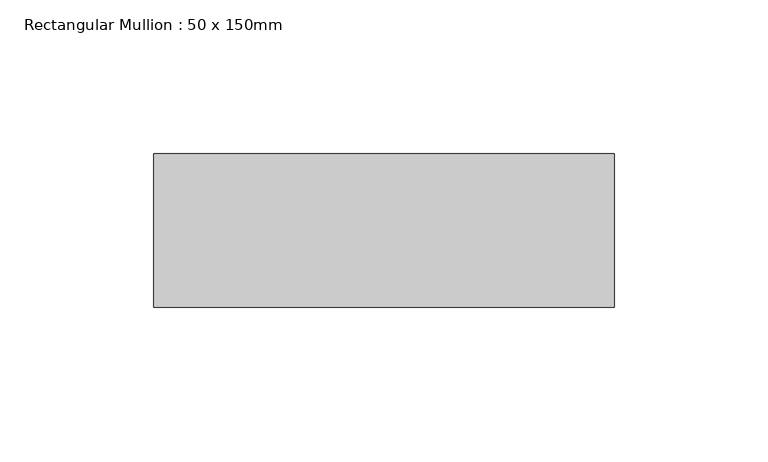
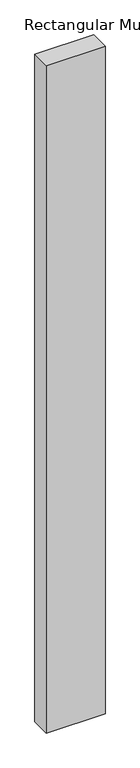
"""IFC4 building model written with IfcOpenShell, lengths in millimetres: member geometry, Rectangular Mullion : 50 x 150mm."""

import ifcopenshell
import ifcopenshell.guid

model = None  # the IFC model being written
_history = None  # IfcOwnerHistory: only IFC2X3 demands one
_inside = {}  # id of a spatial element -> (the spatial element, [elements in it])
_under = {}  # id of a project, library or spatial element -> (it, [spatial elements below it])
_declared = {}  # id of a project -> (the project, [libraries it declares])
_typed = {}  # id of a type object -> (the type object, [elements of that type])
_made_of = {}  # id of a material, layer set ... -> (it, [elements and type objects made of it])


def new_model(schema):
    """Start an empty IFC model of exactly this schema.

    Asked for "IFC4X3", IfcOpenShell would pick the latest addendum, in which some entities
    have other attributes; the version numbers below select the first issue.
    IFC2X3 requires an IfcOwnerHistory on every rooted entity: one is made here for all.
    """
    global model, _history
    if schema == "IFC4X3":
        model = ifcopenshell.file(schema_version=(4, 3, 0, 0))
    else:
        model = ifcopenshell.file(schema=schema)
    _inside.clear()
    _under.clear()
    _declared.clear()
    _typed.clear()
    _made_of.clear()
    _history = None
    if model.schema == "IFC2X3":
        org = make("IfcOrganization", Name="unknown")
        user = make(
            "IfcPersonAndOrganization",
            ThePerson=make("IfcPerson", FamilyName="unknown"),
            TheOrganization=org,
        )
        app = make(
            "IfcApplication",
            ApplicationDeveloper=org,
            Version="unknown",
            ApplicationFullName="unknown",
            ApplicationIdentifier="unknown",
        )
        _history = make(
            "IfcOwnerHistory",
            OwningUser=user,
            OwningApplication=app,
            ChangeAction="ADDED",
            CreationDate=0,
        )
    return model


def make(cls, **values):
    """One entity of the class cls with the attributes given. An attribute that is None is left unset."""
    return model.create_entity(
        cls, **{name: value for name, value in values.items() if value is not None}
    )


def rooted(cls, **values):
    """An entity with a GlobalId (a new one), such as an element, a storey or a relation."""
    return make(cls, GlobalId=ifcopenshell.guid.new(), OwnerHistory=_history, **values)


def si_unit(unit_type, name, prefix=None):
    """IfcSIUnit, for example si_unit("LENGTHUNIT", "METRE", prefix="MILLI")."""
    return make("IfcSIUnit", UnitType=unit_type, Prefix=prefix, Name=name)


def assignment(units):
    """IfcUnitAssignment: the units of a project."""
    return None if units is None else make("IfcUnitAssignment", Units=units)


def point(xyz):
    """IfcCartesianPoint."""
    return None if xyz is None else make("IfcCartesianPoint", Coordinates=xyz)


def direction(xyz):
    """IfcDirection."""
    return None if xyz is None else make("IfcDirection", DirectionRatios=xyz)


def frame(location, z_axis=None, x_axis=None):
    """IfcAxis2Placement3D, a coordinate frame: its origin and axes. An axis left out is left unset."""
    return make(
        "IfcAxis2Placement3D",
        Location=point(location),
        Axis=direction(z_axis),
        RefDirection=direction(x_axis),
    )


def origin():
    """The frame at (0, 0, 0) with its axes left unset."""
    return frame((0.0, 0.0, 0.0))


def place(relative_to, where):
    """IfcLocalPlacement: puts the frame where relative to a parent placement (None: the world)."""
    return make(
        "IfcLocalPlacement", PlacementRelTo=relative_to, RelativePlacement=where
    )


def context(
    kind, dimensions, precision=None, world=None, true_north=None, identifier=None
):
    """IfcGeometricRepresentationContext, for example the 3D "Model" context."""
    return make(
        "IfcGeometricRepresentationContext",
        ContextIdentifier=identifier,
        ContextType=kind,
        CoordinateSpaceDimension=dimensions,
        Precision=precision,
        WorldCoordinateSystem=world,
        TrueNorth=true_north,
    )


def project(units=None, contexts=None):
    """IfcProject with its units and contexts."""
    return rooted(
        "IfcProject",
        Name="project",
        RepresentationContexts=contexts,
        UnitsInContext=assignment(units),
    )


def spatial(cls, under=None, at=None, **own):
    """A site, building, storey or space (cls), placed at a placement, below another one or the project."""
    s = rooted(cls, ObjectPlacement=at, **own)
    if under is not None:
        _under.setdefault(under.id(), (under, []))[1].append(s)
    return s


def polyline(points):
    """IfcPolyline through the points."""
    return make("IfcPolyline", Points=[point(p) for p in points])


def outline(outer, holes=None, kind="AREA"):
    """IfcArbitraryClosedProfileDef: a profile drawn as a closed curve; with holes, ...WithVoids."""
    if holes is None:
        return make("IfcArbitraryClosedProfileDef", ProfileType=kind, OuterCurve=outer)
    return make(
        "IfcArbitraryProfileDefWithVoids",
        ProfileType=kind,
        OuterCurve=outer,
        InnerCurves=holes,
    )


def extrude(swept, where, along, depth):
    """IfcExtrudedAreaSolid: the profile swept, set in the frame where, extruded along a direction by depth."""
    return make(
        "IfcExtrudedAreaSolid",
        SweptArea=swept,
        Position=where,
        ExtrudedDirection=direction(along),
        Depth=depth,
    )


def shape(context_of_items, identifier, shape_type, items):
    """IfcShapeRepresentation: the items that make up one representation, for example the "Body"."""
    return make(
        "IfcShapeRepresentation",
        ContextOfItems=context_of_items,
        RepresentationIdentifier=identifier,
        RepresentationType=shape_type,
        Items=items,
    )


def source(mapping_origin, context_of_items, identifier, shape_type, items):
    """IfcRepresentationMap: a shape defined once, which mapped items show again and again."""
    return make(
        "IfcRepresentationMap",
        MappingOrigin=mapping_origin,
        MappedRepresentation=shape(context_of_items, identifier, shape_type, items),
    )


def transform(
    local_origin,
    x_axis=None,
    y_axis=None,
    z_axis=None,
    scale=None,
    scale2=None,
    scale3=None,
    uniform=True,
):
    """IfcCartesianTransformationOperator3D, or its non-uniform kind. x_axis, y_axis, z_axis: its Axis1, 2, 3."""
    if uniform:
        return make(
            "IfcCartesianTransformationOperator3D",
            Axis1=direction(x_axis),
            Axis2=direction(y_axis),
            LocalOrigin=point(local_origin),
            Scale=scale,
            Axis3=direction(z_axis),
        )
    return make(
        "IfcCartesianTransformationOperator3DnonUniform",
        Axis1=direction(x_axis),
        Axis2=direction(y_axis),
        LocalOrigin=point(local_origin),
        Scale=scale,
        Axis3=direction(z_axis),
        Scale2=scale2,
        Scale3=scale3,
    )


def mapped(mapping_source, mapping_target):
    """IfcMappedItem: shows the shape of a source again, moved by a transform."""
    return make(
        "IfcMappedItem", MappingSource=mapping_source, MappingTarget=mapping_target
    )


def made_of(thing, what):
    """Note that an element or type object is made of a material, layer set ...; save() writes the relation."""
    if what is not None:
        _made_of.setdefault(what.id(), (what, []))[1].append(thing)
    return thing


def element(
    cls,
    number,
    at=None,
    inside=None,
    cuts=None,
    type_object=None,
    material=None,
    context=None,
    identifier="Body",
    shape_type=None,
    held_by="IfcProductDefinitionShape",
    body=None,
    shapes=None,
    **own,
):
    """One element of the class cls, such as IfcWall. Its Tag is "e" and its number.

    at: its placement. inside: the storey or other place that contains it. cuts: it is an
    opening in that element (IfcRelVoidsElement). A single representation is given by context,
    identifier, shape_type and body (its items); several are given by shapes. held_by: the class
    of the entity that holds the representations. save() writes the other relations.
    """
    e = rooted(cls, Tag="e%d" % number, ObjectPlacement=at, **own)
    if body is not None:
        shapes = [shape(context, identifier, shape_type, body)]
    if shapes is not None:
        e.Representation = make(held_by, Representations=shapes)
    if inside is not None:
        _inside.setdefault(inside.id(), (inside, []))[1].append(e)
    if cuts is not None:
        rooted(
            "IfcRelVoidsElement", RelatingBuildingElement=cuts, RelatedOpeningElement=e
        )
    if type_object is not None:
        _typed.setdefault(type_object.id(), (type_object, []))[1].append(e)
    return made_of(e, material)


def aggregate(whole, parts):
    """IfcRelAggregates: a whole, such as a stair, and the parts it consists of."""
    return rooted("IfcRelAggregates", RelatingObject=whole, RelatedObjects=parts)


def save(model, path):
    """Write the relations noted so far, then the file.

    IfcRelAggregates (storeys below a building ...), IfcRelContainedInSpatialStructure (elements
    in a storey), IfcRelDefinesByType, IfcRelAssociatesMaterial and IfcRelDeclares: one each for
    every whole, place, type object, material and project.
    """
    for whole, parts in _under.values():
        aggregate(whole, parts)
    for where, things in _inside.values():
        rooted(
            "IfcRelContainedInSpatialStructure",
            RelatedElements=things,
            RelatingStructure=where,
        )
    for kind, things in _typed.values():
        rooted("IfcRelDefinesByType", RelatedObjects=things, RelatingType=kind)
    for what, things in _made_of.values():
        rooted("IfcRelAssociatesMaterial", RelatedObjects=things, RelatingMaterial=what)
    for by, libraries in _declared.values():
        rooted("IfcRelDeclares", RelatingContext=by, RelatedDefinitions=libraries)
    model.write(path)


def rectangular_mullion_50_x_150mm_b570d781(model_context):
    return source(origin(), model_context, "Body", "SweptSolid", [
        extrude(outline(polyline([(150.0, 50.0), (150.0, 0.0), (0.0, 0.0), (0.0, 50.0), (150.0, 50.0)])), frame((0.0, 0.0, -1800.0), z_axis=(0.0, 0.0, 1.0), x_axis=(1.0, 0.0, 0.0)), (0.0, 0.0, 1.0), 1800.0),
    ])


if __name__ == "__main__":
    model = new_model("IFC4")
    model_context = context("Model", 3, world=origin())
    ifc_project = project(units=[si_unit("LENGTHUNIT", "METRE", prefix="MILLI")], contexts=[model_context])
    site = spatial("IfcSite", under=ifc_project)
    building = spatial("IfcBuilding", under=site)
    placement = place(None, origin())
    rectangular_mullion_50_x_150mm_shape = rectangular_mullion_50_x_150mm_b570d781(model_context)
    element("IfcMember", 1, ObjectType="Rectangular Mullion : 50 x 150mm", at=placement, inside=building, context=model_context, shape_type="MappedRepresentation", body=[
        mapped(rectangular_mullion_50_x_150mm_shape, transform((0.0, 0.0, 0.0), x_axis=(1.0, 0.0, 0.0), y_axis=(0.0, 1.0, 0.0), z_axis=(0.0, 0.0, 1.0))),
    ])
    save(model, "model.ifc")
